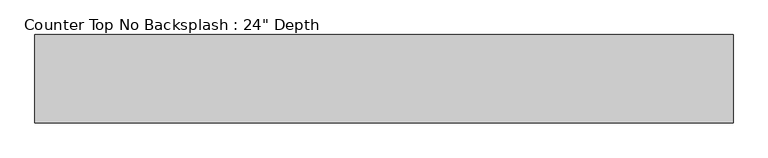
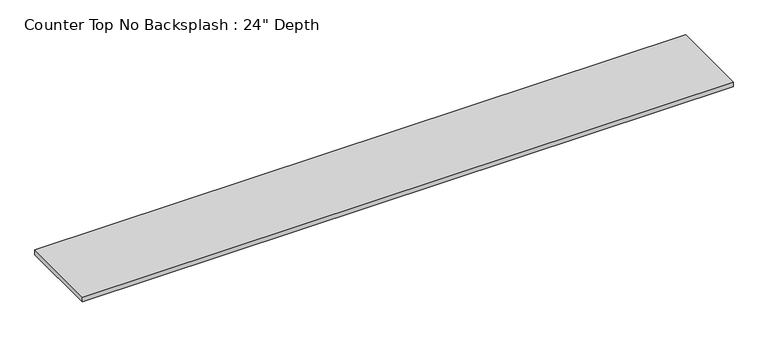
"""IFC4 building model written with IfcOpenShell, lengths in millimetres: furniture geometry."""

from ifc_helpers import new_model, si_unit, frame, origin, place, context, project, spatial, polyline, outline, extrude, source, transform, mapped, element, save


def furniture_6715b309(model_context):
    return source(origin(), model_context, "Body", "SweptSolid", [
        extrude(outline(polyline([(3818.9950825, 0.0), (3818.9950825, -635.0), (-1200.4622951, -635.0), (-1200.4622951, 0.0), (3818.9950825, 0.0)])), frame((0.0, 0.0, 876.3), z_axis=(0.0, 0.0, 1.0), x_axis=(1.0, 0.0, 0.0)), (0.0, 0.0, 1.0), 38.1),
    ])


if __name__ == "__main__":
    model = new_model("IFC4")
    model_context = context("Model", 3, world=origin())
    ifc_project = project(units=[si_unit("LENGTHUNIT", "METRE", prefix="MILLI")], contexts=[model_context])
    site = spatial("IfcSite", under=ifc_project)
    building = spatial("IfcBuilding", under=site)
    placement = place(None, origin())
    furniture_shape = furniture_6715b309(model_context)
    element("IfcFurniture", 1, ObjectType="Counter Top No Backsplash : 24\" Depth", at=placement, inside=building, context=model_context, shape_type="MappedRepresentation", body=[
        mapped(furniture_shape, transform((0.0, 0.0, 0.0), x_axis=(1.0, 0.0, 0.0), y_axis=(0.0, 1.0, 0.0), z_axis=(0.0, 0.0, 1.0))),
    ])
    save(model, "model.ifc")
